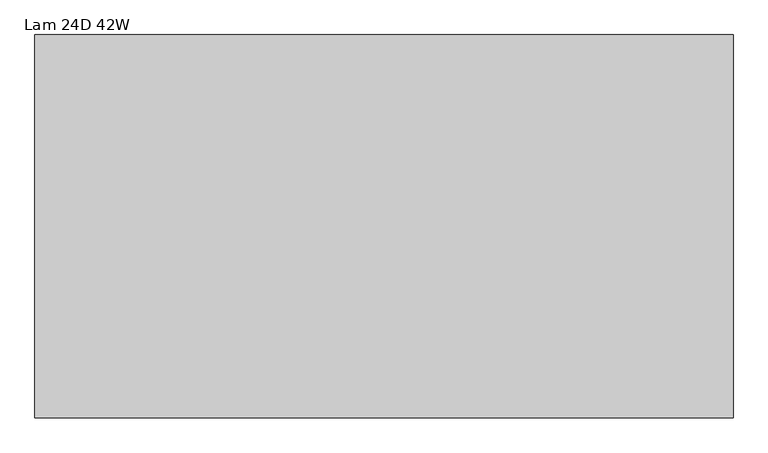
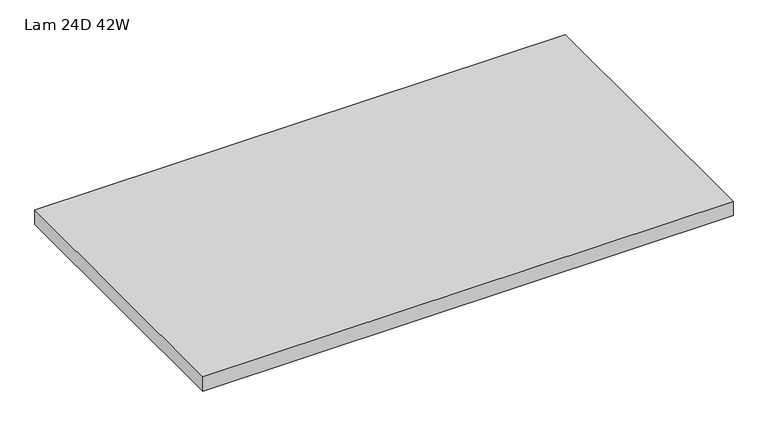
"""IFC4 building model written with IfcOpenShell, lengths in millimetres: furniture geometry, Lam 24D 42W."""

from ifc_helpers import new_model, si_unit, frame, origin, place, context, project, spatial, polyline, outline, extrude, source, transform, mapped, element, save


def lam_24d_42w_0148568f(model_context):
    return source(origin(), model_context, "Body", "SweptSolid", [
        extrude(outline(polyline([(601.1275996, 174.6914812), (-462.6244004, 174.6914812), (-462.6244004, 758.8914812), (601.1275996, 758.8914812), (601.1275996, 174.6914812)])), frame((0.0, 0.0, 706.7296), z_axis=(0.0, 0.0, 1.0), x_axis=(1.0, 0.0, 0.0)), (0.0, 0.0, 1.0), 29.8704),
    ])


if __name__ == "__main__":
    model = new_model("IFC4")
    model_context = context("Model", 3, world=origin())
    ifc_project = project(units=[si_unit("LENGTHUNIT", "METRE", prefix="MILLI")], contexts=[model_context])
    site = spatial("IfcSite", under=ifc_project)
    building = spatial("IfcBuilding", under=site)
    placement = place(None, origin())
    lam_24d_42w_shape = lam_24d_42w_0148568f(model_context)
    element("IfcFurniture", 1, ObjectType="Lam 24D 42W", at=placement, inside=building, context=model_context, shape_type="MappedRepresentation", body=[
        mapped(lam_24d_42w_shape, transform((0.0, 0.0, 0.0), x_axis=(1.0, 0.0, 0.0), y_axis=(0.0, 1.0, 0.0), z_axis=(0.0, 0.0, 1.0))),
    ])
    save(model, "model.ifc")
